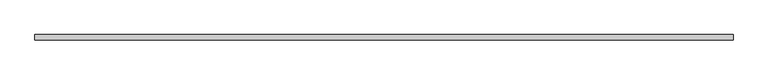
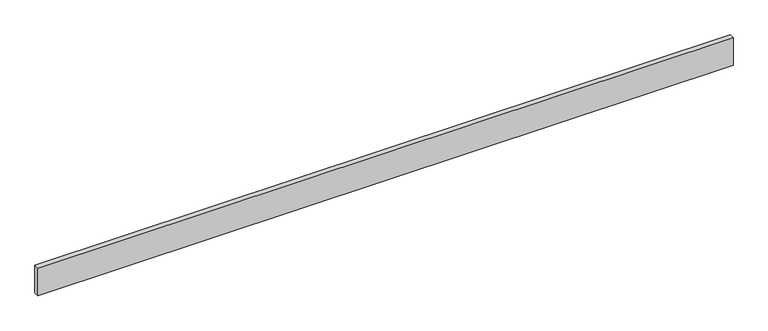
"""IFC4 building model written with IfcOpenShell, lengths in millimetres: beam geometry."""

from ifc_helpers import new_model, si_unit, frame, origin, place, context, project, spatial, polyline, outline, extrude, source, transform, mapped, element, save


def beam_66d17240(model_context):
    return source(origin(), model_context, "Body", "SweptSolid", [
        extrude(outline(polyline([(2390.2, -18.0), (-2390.2, -18.0), (-2390.2, 18.0), (2390.2, 18.0), (2390.2, -18.0)])), frame((0.0, 0.0, -100.0), z_axis=(0.0, 0.0, 1.0), x_axis=(1.0, 0.0, 0.0)), (0.0, 0.0, 1.0), 200.0),
    ])


if __name__ == "__main__":
    model = new_model("IFC4")
    model_context = context("Model", 3, world=origin())
    ifc_project = project(units=[si_unit("LENGTHUNIT", "METRE", prefix="MILLI")], contexts=[model_context])
    site = spatial("IfcSite", under=ifc_project)
    building = spatial("IfcBuilding", under=site)
    placement = place(None, origin())
    beam_shape = beam_66d17240(model_context)
    element("IfcBeam", 1, at=placement, inside=building, context=model_context, shape_type="MappedRepresentation", body=[
        mapped(beam_shape, transform((0.0, 0.0, 0.0), x_axis=(1.0, 0.0, 0.0), y_axis=(0.0, 1.0, 0.0), z_axis=(0.0, 0.0, 1.0))),
    ])
    save(model, "model.ifc")
